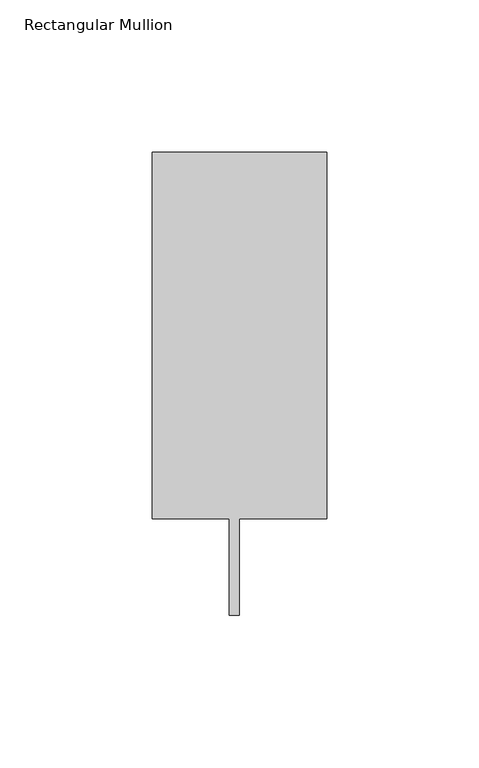
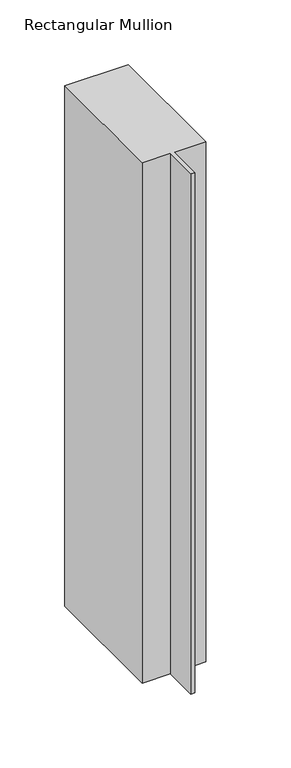
"""IFC4 building model written with IfcOpenShell, lengths in millimetres: member geometry, Rectangular Mullion."""

from ifc_helpers import new_model, si_unit, frame, origin, place, context, project, spatial, polyline, outline, extrude, source, transform, mapped, element, save


def rectangular_mullion_136bbd0e(model_context):
    return source(origin(), model_context, "Body", "SweptSolid", [
        extrude(outline(polyline([(-57.15, 151.892), (0.0, 151.892), (0.0, 31.75), (-28.575, 31.75), (-28.575, 0.0), (-31.877, 0.0), (-31.877, 31.75), (-57.15, 31.75), (-57.15, 151.892)])), frame((0.0, 0.0, -492.1377), z_axis=(0.0, 0.0, 1.0), x_axis=(1.0, 0.0, 0.0)), (0.0, 0.0, 1.0), 492.1377),
    ])


if __name__ == "__main__":
    model = new_model("IFC4")
    model_context = context("Model", 3, world=origin())
    ifc_project = project(units=[si_unit("LENGTHUNIT", "METRE", prefix="MILLI")], contexts=[model_context])
    site = spatial("IfcSite", under=ifc_project)
    building = spatial("IfcBuilding", under=site)
    placement = place(None, origin())
    rectangular_mullion_shape = rectangular_mullion_136bbd0e(model_context)
    element("IfcMember", 1, ObjectType="Rectangular Mullion", at=placement, inside=building, context=model_context, shape_type="MappedRepresentation", body=[
        mapped(rectangular_mullion_shape, transform((0.0, 0.0, 0.0), x_axis=(1.0, 0.0, 0.0), y_axis=(0.0, 1.0, 0.0), z_axis=(0.0, 0.0, 1.0))),
    ])
    save(model, "model.ifc")
